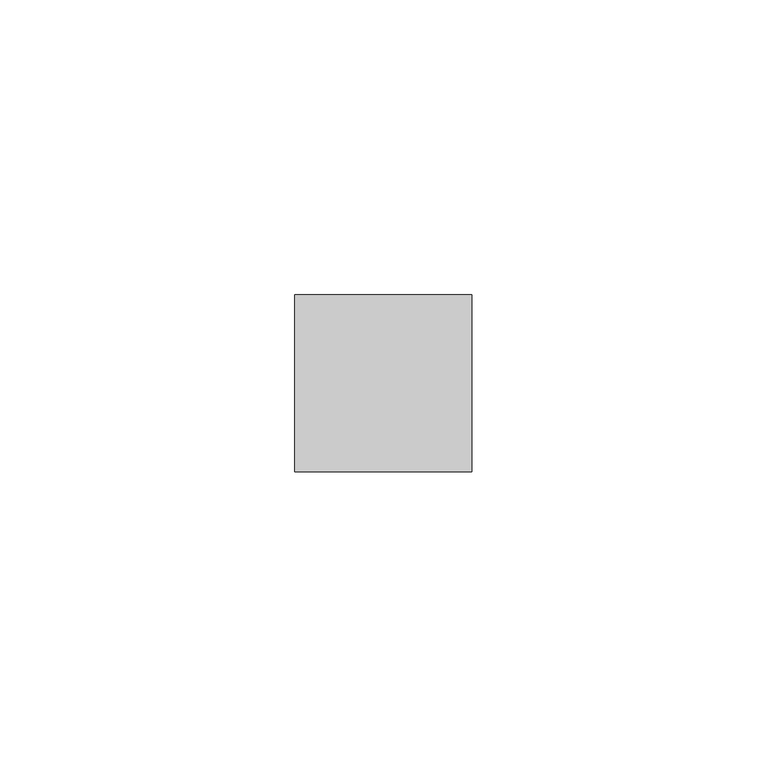
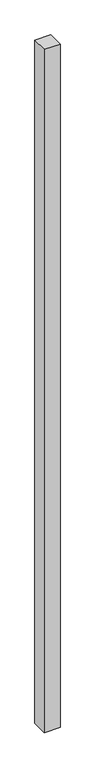
"""IFC4 building model written with IfcOpenShell, lengths in millimetres: member geometry."""

from ifc_helpers import new_model, si_unit, frame, origin, place, context, project, spatial, polyline, outline, extrude, source, transform, mapped, element, save


def member_0f4f4443(model_context):
    return source(origin(), model_context, "Body", "SweptSolid", [
        extrude(outline(polyline([(15.0, 15.0), (15.0, -15.0), (-15.0, -15.0), (-15.0, 15.0), (15.0, 15.0)])), frame((0.0, 0.0, -1359.2391304), z_axis=(0.0, 0.0, 1.0), x_axis=(1.0, 0.0, 0.0)), (0.0, 0.0, 1.0), 1359.2391304),
    ])


if __name__ == "__main__":
    model = new_model("IFC4")
    model_context = context("Model", 3, world=origin())
    ifc_project = project(units=[si_unit("LENGTHUNIT", "METRE", prefix="MILLI")], contexts=[model_context])
    site = spatial("IfcSite", under=ifc_project)
    building = spatial("IfcBuilding", under=site)
    placement = place(None, origin())
    member_shape = member_0f4f4443(model_context)
    element("IfcMember", 1, at=placement, inside=building, context=model_context, shape_type="MappedRepresentation", body=[
        mapped(member_shape, transform((0.0, 0.0, 0.0), x_axis=(1.0, 0.0, 0.0), y_axis=(0.0, 1.0, 0.0), z_axis=(0.0, 0.0, 1.0))),
    ])
    save(model, "model.ifc")
